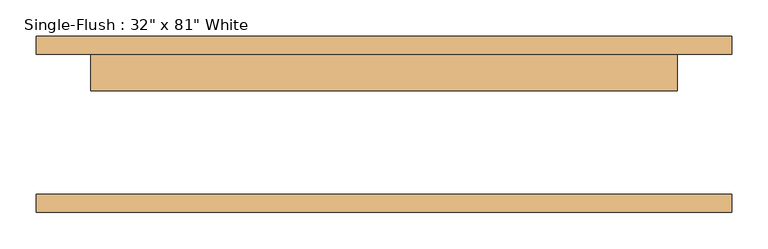
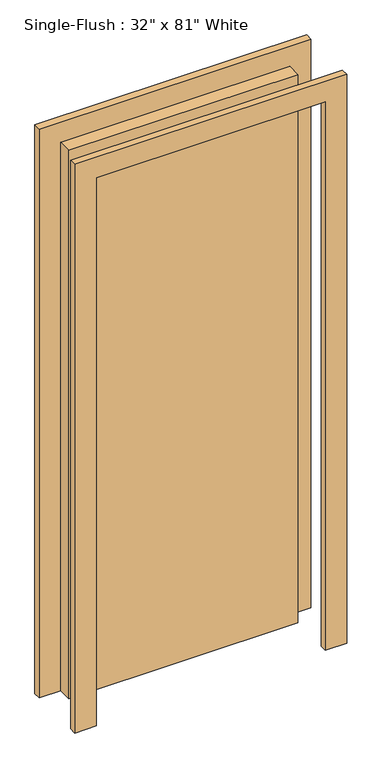
"""IFC4 building model written with IfcOpenShell, lengths in millimetres: door geometry."""

from ifc_helpers import new_model, si_unit, frame, origin, origin_with_axes, place, context, project, spatial, polyline, outline, extrude, source, transform, mapped, element, save


def door_f251bf6e(model_context):
    return source(origin(), model_context, "Body", "SweptSolid", [
        extrude(outline(polyline([(2133.6, -482.6), (0.0, -482.6), (0.0, -406.4), (2057.4, -406.4), (2057.4, 406.4), (0.0, 406.4), (0.0, 482.6), (2133.6, 482.6), (2133.6, -482.6)])), frame((0.0, 96.8375, 0.0), z_axis=(0.0, 1.0, 0.0), x_axis=(0.0, 0.0, 1.0)), (0.0, 0.0, 1.0), 25.4),
        extrude(outline(polyline([(2133.6, 482.6), (2133.6, -482.6), (0.0, -482.6), (0.0, -406.4), (2057.4, -406.4), (2057.4, 406.4), (0.0, 406.4), (0.0, 482.6), (2133.6, 482.6)])), frame((0.0, -122.2375, 0.0), z_axis=(0.0, 1.0, 0.0), x_axis=(0.0, 0.0, 1.0)), (0.0, 0.0, 1.0), 25.4),
        extrude(outline(polyline([(406.4, 46.0375), (-406.4, 46.0375), (-406.4, 96.8375), (406.4, 96.8375), (406.4, 46.0375)])), origin_with_axes(), (0.0, 0.0, 1.0), 2057.4),
    ])


if __name__ == "__main__":
    model = new_model("IFC4")
    model_context = context("Model", 3, world=origin())
    ifc_project = project(units=[si_unit("LENGTHUNIT", "METRE", prefix="MILLI")], contexts=[model_context])
    site = spatial("IfcSite", under=ifc_project)
    building = spatial("IfcBuilding", under=site)
    placement = place(None, origin())
    door_shape = door_f251bf6e(model_context)
    element("IfcDoor", 1, ObjectType="Single-Flush : 32\" x 81\" White", at=placement, inside=building, context=model_context, shape_type="MappedRepresentation", body=[
        mapped(door_shape, transform((0.0, 0.0, 0.0), x_axis=(1.0, 0.0, 0.0), y_axis=(0.0, 1.0, 0.0), z_axis=(0.0, 0.0, 1.0))),
    ])
    save(model, "model.ifc")
